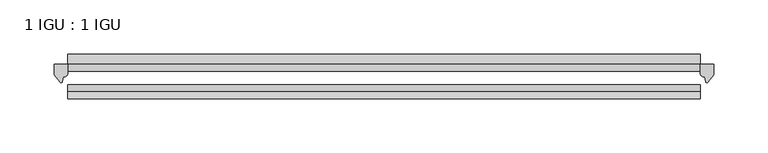
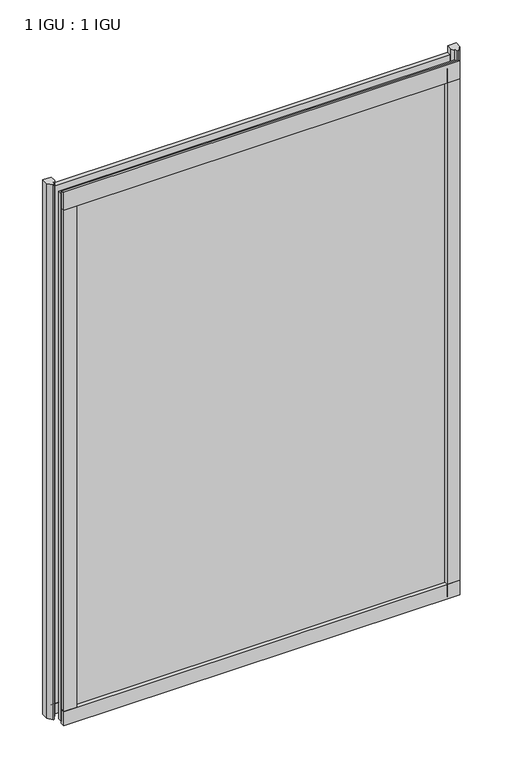
"""IFC4 building model written with IfcOpenShell, lengths in millimetres: plate geometry, 1 IGU : 1 IGU."""

from ifc_helpers import new_model, si_unit, point, frame, frame_2d, origin, place, context, project, spatial, polyline, circle_curve, trimmed, segment, composite_curve, outline, extrude, source, transform, mapped, element, save


def plate_1_igu_1_igu_1cc48dde(model_context):
    return source(origin(), model_context, "Body", "SweptSolid", [
        extrude(outline(polyline([(292.1, 0.0021347), (292.1, -6.2992), (-292.1, -6.2992), (-292.1, 0.0021347), (292.1, 0.0021347)])), frame((0.0, 0.0, -19.05), z_axis=(0.0, 0.0, 1.0), x_axis=(1.0, 0.0, 0.0)), (0.0, 0.0, 1.0), 822.3250001),
        extrude(outline(polyline([(-292.1, -19.0986653), (292.1, -19.0986653), (292.1, -25.3978653), (-292.1, -25.3978653), (-292.1, -19.0986653)])), frame((0.0, 0.0, -19.05), z_axis=(0.0, 0.0, 1.0), x_axis=(1.0, 0.0, 0.0)), (0.0, 0.0, 1.0), 822.3250001),
        extrude(outline(composite_curve([segment(polyline([(304.8, 0.0), (304.8, -9.7395025), (299.2337691, -16.3730781)]), True, "CONTINUOUS"), segment(trimmed(circle_curve(frame_2d((298.2800941, -15.7728374)), 1.1268473), [point((299.2337691, -16.3730781))], [point((297.1791412, -16.0130197))], False, "CARTESIAN"), True, "CONTINUOUS"), segment(polyline([(297.1791412, -16.0130197), (296.1989498, -11.7377885)]), True, "CONTINUOUS"), segment(trimmed(circle_curve(frame_2d((296.0714979, -7.7683362)), 3.9714979), [point((296.1989498, -11.7377885))], [point((292.1001786, -7.8060014))], False, "CARTESIAN"), True, "CONTINUOUS"), segment(polyline([(292.1001786, -7.8060014), (292.1001786, 0.0), (304.8, 0.0)]), True, "CONTINUOUS")], self_intersect=False)), frame((0.0, 0.0, -19.05), z_axis=(0.0, 0.0, 1.0), x_axis=(1.0, 0.0, 0.0)), (0.0, 0.0, 1.0), 832.6374001),
        extrude(outline(composite_curve([segment(polyline([(-292.1, 8.8e-06), (-292.1, -7.7683362)]), True, "CONTINUOUS"), segment(trimmed(circle_curve(frame_2d((-296.0714979, -7.7683362)), 3.9714979), [point((-292.1, -7.7683362))], [point((-296.1989498, -11.7377885))], False, "CARTESIAN"), True, "CONTINUOUS"), segment(polyline([(-296.1989498, -11.7377885), (-297.1789843, -16.012436)]), True, "CONTINUOUS"), segment(trimmed(circle_curve(frame_2d((-298.2801933, -15.7723555)), 1.1270758), [point((-297.1789843, -16.012436))], [point((-299.2340327, -16.372764))], False, "CARTESIAN"), True, "CONTINUOUS"), segment(polyline([(-299.2340327, -16.372764), (-304.8, -9.7395025), (-304.8, 8.8e-06), (-292.1, 8.8e-06)]), True, "CONTINUOUS")], self_intersect=False)), frame((0.0, 0.0, -19.05), z_axis=(0.0, 0.0, 1.0), x_axis=(1.0, 0.0, 0.0)), (0.0, 0.0, 1.0), 832.6374001),
        extrude(outline(composite_curve([segment(polyline([(-31.75, 0.0), (-25.4, 0.0), (-25.4, -22.225)]), True, "CONTINUOUS"), segment(trimmed(circle_curve(frame_2d((-28.575, -28.9113452)), 7.4018806), [point((-25.4, -22.225))], [point((-31.75, -22.225))], True, "CARTESIAN"), True, "CONTINUOUS"), segment(polyline([(-31.75, -22.225), (-31.75, 0.0)]), True, "CONTINUOUS")], self_intersect=False)), frame((-292.1, 0.0, 0.0), z_axis=(1.0, 0.0, 0.0), x_axis=(0.0, 1.0, 0.0)), (0.0, 0.0, 1.0), 584.2),
        extrude(outline(composite_curve([segment(trimmed(circle_curve(frame_2d((13.6593785, 32.4202472)), 31.3046461), [point((0.0, 4.2528503))], [point((9.3980339, 1.406995))], True, "CARTESIAN"), True, "CONTINUOUS"), segment(polyline([(9.3980339, 1.406995), (9.3980339, 0.0254), (6.35, 0.0254), (6.35, -5.1625788), (7.7309478, -5.3970663), (6.35, -8.0073788), (6.35, -11.8471127)]), True, "CONTINUOUS"), segment(trimmed(circle_curve(frame_2d((5.334, -11.8471127)), 1.016), [point((6.35, -11.8471127))], [point((4.6284878, -12.5782136))], False, "CARTESIAN"), True, "CONTINUOUS"), segment(trimmed(circle_curve(frame_2d((-23.3689302, -41.5910901)), 40.3187601), [point((4.6284878, -12.5782136))], [point((0.0, -8.735413))], True, "CARTESIAN"), True, "CONTINUOUS"), segment(polyline([(0.0, -8.735413), (0.0, 4.2528503)]), True, "CONTINUOUS")], self_intersect=False)), frame((-292.1, 0.0, 0.0), z_axis=(1.0, 0.0, 0.0), x_axis=(0.0, 1.0, 0.0)), (0.0, 0.0, 1.0), 584.2),
        extrude(outline(composite_curve([segment(polyline([(-25.4, 806.4500001), (-25.4, 781.0500001), (-31.75, 781.0500001), (-31.75, 809.2228974)]), True, "CONTINUOUS"), segment(trimmed(circle_curve(frame_2d((-24.1401272, 817.9924116)), 11.6109665), [point((-31.75, 809.2228974))], [point((-25.4, 806.4500001))], True, "CARTESIAN"), True, "CONTINUOUS")], self_intersect=False)), frame((-292.1, 0.0, 0.0), z_axis=(1.0, 0.0, 0.0), x_axis=(0.0, 1.0, 0.0)), (0.0, 0.0, 1.0), 584.2),
        extrude(outline(composite_curve([segment(polyline([(273.05, -25.4), (292.1, -25.4)]), True, "CONTINUOUS"), segment(trimmed(circle_curve(frame_2d((301.5661507, -28.575)), 9.9844196), [point((292.1, -25.4))], [point((292.1, -31.75))], True, "CARTESIAN"), True, "CONTINUOUS"), segment(polyline([(292.1, -31.75), (273.05, -31.75), (273.05, -25.4)]), True, "CONTINUOUS")], self_intersect=False)), frame((0.0, 0.0, -19.05), z_axis=(0.0, 0.0, 1.0), x_axis=(1.0, 0.0, 0.0)), (0.0, 0.0, 1.0), 822.3250001),
        extrude(outline(composite_curve([segment(trimmed(circle_curve(frame_2d((-301.5661507, -28.575)), 9.9844196), [point((-292.1, -31.75))], [point((-292.1, -25.4))], True, "CARTESIAN"), True, "CONTINUOUS"), segment(polyline([(-292.1, -25.4), (-273.05, -25.4), (-273.05, -31.75), (-292.1, -31.75)]), True, "CONTINUOUS")], self_intersect=False)), frame((0.0, 0.0, -19.05), z_axis=(0.0, 0.0, 1.0), x_axis=(1.0, 0.0, 0.0)), (0.0, 0.0, 1.0), 822.3250001),
    ])


if __name__ == "__main__":
    model = new_model("IFC4")
    model_context = context("Model", 3, world=origin())
    ifc_project = project(units=[si_unit("LENGTHUNIT", "METRE", prefix="MILLI")], contexts=[model_context])
    site = spatial("IfcSite", under=ifc_project)
    building = spatial("IfcBuilding", under=site)
    placement = place(None, origin())
    plate_1_igu_1_igu_shape = plate_1_igu_1_igu_1cc48dde(model_context)
    element("IfcPlate", 1, ObjectType="1 IGU : 1 IGU", at=placement, inside=building, context=model_context, shape_type="MappedRepresentation", body=[
        mapped(plate_1_igu_1_igu_shape, transform((0.0, 0.0, 0.0), x_axis=(1.0, 0.0, 0.0), y_axis=(0.0, 1.0, 0.0), z_axis=(0.0, 0.0, 1.0))),
    ])
    save(model, "model.ifc")
